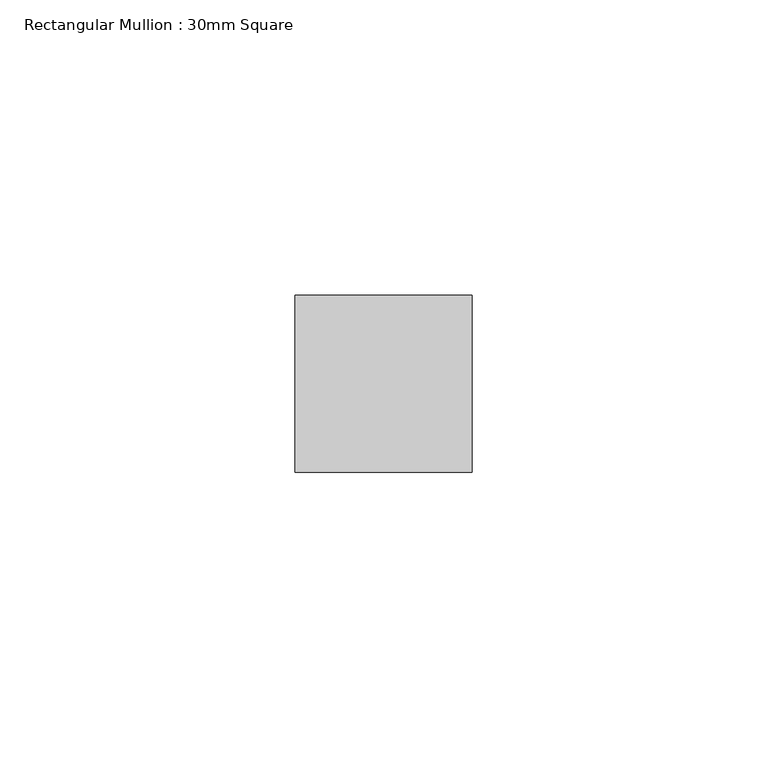
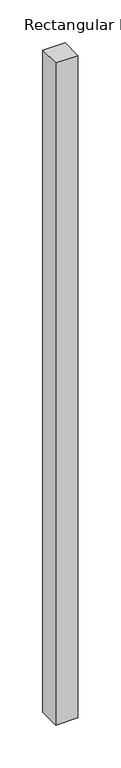
"""IFC4 building model written with IfcOpenShell, lengths in millimetres: member geometry, Rectangular Mullion : 30mm Square."""

from ifc_helpers import new_model, si_unit, frame, origin, place, context, project, spatial, polyline, outline, extrude, source, transform, mapped, element, save


def rectangular_mullion_30mm_square_c152cc68(model_context):
    return source(origin(), model_context, "Body", "SweptSolid", [
        extrude(outline(polyline([(0.0, 15.0), (0.0, -15.0), (-30.0, -15.0), (-30.0, 15.0), (0.0, 15.0)])), frame((0.0, 0.0, -943.9565766), z_axis=(0.0, 0.0, 1.0), x_axis=(1.0, 0.0, 0.0)), (0.0, 0.0, 1.0), 943.9565766),
    ])


if __name__ == "__main__":
    model = new_model("IFC4")
    model_context = context("Model", 3, world=origin())
    ifc_project = project(units=[si_unit("LENGTHUNIT", "METRE", prefix="MILLI")], contexts=[model_context])
    site = spatial("IfcSite", under=ifc_project)
    building = spatial("IfcBuilding", under=site)
    placement = place(None, origin())
    rectangular_mullion_30mm_square_shape = rectangular_mullion_30mm_square_c152cc68(model_context)
    element("IfcMember", 1, ObjectType="Rectangular Mullion : 30mm Square", at=placement, inside=building, context=model_context, shape_type="MappedRepresentation", body=[
        mapped(rectangular_mullion_30mm_square_shape, transform((0.0, 0.0, 0.0), x_axis=(1.0, 0.0, 0.0), y_axis=(0.0, 1.0, 0.0), z_axis=(0.0, 0.0, 1.0))),
    ])
    save(model, "model.ifc")
